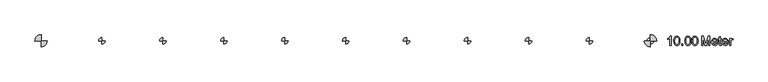
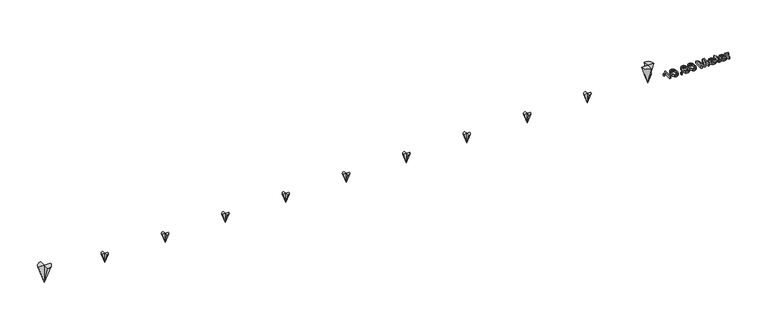
"""IFC4 building model written with IfcOpenShell, lengths in millimetres: proxy geometry."""

from ifc_helpers import new_model, si_unit, frame, origin, origin_with_axes, place, context, project, spatial, polyline, circle_curve, outline, extrude, source, transform, mapped, element, save
from ifc_brep_helpers import plane_surface, revolved_surface, advanced_brep


def generic_models_e8c7871a(model_context):
    return source(origin(), model_context, "Body", "SolidModel", [
        advanced_brep(
        [(9946.9713765, 0.0, 159.0858704), (10000.0, 53.0286235, 159.0858704), (10000.0, 0.0, 0.0), (10053.0286235, 0.0, 159.0858704), (10000.0, -53.0286235, 159.0858704), (10000.0, 0.0, 159.0858704)],
        [
            (0, 1, circle_curve(frame((10000.0, 0.0, 159.0858704), z_axis=(0.0, 0.0, -1.0), x_axis=(1.0, 0.0, 0.0)), 53.0286235)),
            (1, 2),
            (2, 0),
            (2, 3),
            (3, 4, circle_curve(frame((10000.0, 0.0, 159.0858704), z_axis=(0.0, 0.0, -1.0), x_axis=(1.0, 0.0, 0.0)), 53.0286235)),
            (4, 2),
            (0, 5),
            (5, 1),
            (3, 5),
            (5, 4),
            (5, 2),
            (5, 2),
        ],
        [
            revolved_surface(polyline([(10000.0, 0.0, 0.0), (10053.0286235, 0.0, 159.0858704)]), (10000.0, 0.0, 300.0), (0.0, 0.0, 1.0)),
            plane_surface(frame((10000.0, 0.0, 159.0858704), z_axis=(0.0, 0.0, 1.0), x_axis=(1.0, 0.0, 0.0))),
            plane_surface(frame((10000.0, 120.0, 345.9090809), z_axis=(1.0, 0.0, 0.0), x_axis=(0.0, 0.0, -1.0))),
            plane_surface(frame((10000.0, 0.0, 345.9090809), z_axis=(0.0, 1.0, 0.0), x_axis=(0.0, 0.0, -1.0))),
            plane_surface(frame((10000.0, -120.0, 345.9090809), z_axis=(-1.0, 0.0, 0.0), x_axis=(0.0, 0.0, -1.0))),
            plane_surface(frame((10000.0, 0.0, 345.9090809), z_axis=(0.0, -1.0, 0.0), x_axis=(0.0, 0.0, -1.0))),
        ],
        [
            (0, [[1, 2, 3]]),
            (0, [[4, 5, 6]]),
            (1, [[-1, 7, 8]]),
            (1, [[9, 10, -5]]),
            (2, [[11, -2, -8]]),
            (3, [[-11, -9, -4]]),
            (4, [[12, -6, -10]]),
            (5, [[-12, -7, -3]]),
        ],
    ),
        advanced_brep(
        [(8946.9713765, 0.0, 159.0858704), (9000.0, 53.0286235, 159.0858704), (9000.0, 0.0, 0.0), (9053.0286235, 0.0, 159.0858704), (9000.0, -53.0286235, 159.0858704), (9000.0, 0.0, 159.0858704)],
        [
            (0, 1, circle_curve(frame((9000.0, 0.0, 159.0858704), z_axis=(0.0, 0.0, -1.0), x_axis=(1.0, 0.0, 0.0)), 53.0286235)),
            (1, 2),
            (2, 0),
            (2, 3),
            (3, 4, circle_curve(frame((9000.0, 0.0, 159.0858704), z_axis=(0.0, 0.0, -1.0), x_axis=(1.0, 0.0, 0.0)), 53.0286235)),
            (4, 2),
            (0, 5),
            (5, 1),
            (3, 5),
            (5, 4),
            (5, 2),
            (5, 2),
        ],
        [
            revolved_surface(polyline([(9000.0, 0.0, 0.0), (9053.0286235, 0.0, 159.0858704)]), (9000.0, 0.0, 300.0), (0.0, 0.0, 1.0)),
            plane_surface(frame((9000.0, 0.0, 159.0858704), z_axis=(0.0, 0.0, 1.0), x_axis=(1.0, 0.0, 0.0))),
            plane_surface(frame((9000.0, 120.0, 345.9090809), z_axis=(1.0, 0.0, 0.0), x_axis=(0.0, 0.0, -1.0))),
            plane_surface(frame((9000.0, 0.0, 345.9090809), z_axis=(0.0, 1.0, 0.0), x_axis=(0.0, 0.0, -1.0))),
            plane_surface(frame((9000.0, -120.0, 345.9090809), z_axis=(-1.0, 0.0, 0.0), x_axis=(0.0, 0.0, -1.0))),
            plane_surface(frame((9000.0, 0.0, 345.9090809), z_axis=(0.0, -1.0, 0.0), x_axis=(0.0, 0.0, -1.0))),
        ],
        [
            (0, [[1, 2, 3]]),
            (0, [[4, 5, 6]]),
            (1, [[-1, 7, 8]]),
            (1, [[9, 10, -5]]),
            (2, [[11, -2, -8]]),
            (3, [[-11, -9, -4]]),
            (4, [[12, -6, -10]]),
            (5, [[-12, -7, -3]]),
        ],
    ),
        advanced_brep(
        [(7946.9713765, 0.0, 159.0858704), (8000.0, 53.0286235, 159.0858704), (8000.0, 0.0, 0.0), (8053.0286235, 0.0, 159.0858704), (8000.0, -53.0286235, 159.0858704), (8000.0, 0.0, 159.0858704)],
        [
            (0, 1, circle_curve(frame((8000.0, 0.0, 159.0858704), z_axis=(0.0, 0.0, -1.0), x_axis=(1.0, 0.0, 0.0)), 53.0286235)),
            (1, 2),
            (2, 0),
            (2, 3),
            (3, 4, circle_curve(frame((8000.0, 0.0, 159.0858704), z_axis=(0.0, 0.0, -1.0), x_axis=(1.0, 0.0, 0.0)), 53.0286235)),
            (4, 2),
            (0, 5),
            (5, 1),
            (3, 5),
            (5, 4),
            (5, 2),
            (5, 2),
        ],
        [
            revolved_surface(polyline([(8000.0, 0.0, 0.0), (8053.0286235, 0.0, 159.0858704)]), (8000.0, 0.0, 300.0), (0.0, 0.0, 1.0)),
            plane_surface(frame((8000.0, 0.0, 159.0858704), z_axis=(0.0, 0.0, 1.0), x_axis=(1.0, 0.0, 0.0))),
            plane_surface(frame((8000.0, 120.0, 345.9090809), z_axis=(1.0, 0.0, 0.0), x_axis=(0.0, 0.0, -1.0))),
            plane_surface(frame((8000.0, 0.0, 345.9090809), z_axis=(0.0, 1.0, 0.0), x_axis=(0.0, 0.0, -1.0))),
            plane_surface(frame((8000.0, -120.0, 345.9090809), z_axis=(-1.0, 0.0, 0.0), x_axis=(0.0, 0.0, -1.0))),
            plane_surface(frame((8000.0, 0.0, 345.9090809), z_axis=(0.0, -1.0, 0.0), x_axis=(0.0, 0.0, -1.0))),
        ],
        [
            (0, [[1, 2, 3]]),
            (0, [[4, 5, 6]]),
            (1, [[-1, 7, 8]]),
            (1, [[9, 10, -5]]),
            (2, [[11, -2, -8]]),
            (3, [[-11, -9, -4]]),
            (4, [[12, -6, -10]]),
            (5, [[-12, -7, -3]]),
        ],
    ),
        advanced_brep(
        [(6946.9713765, 0.0, 159.0858704), (7000.0, 53.0286235, 159.0858704), (7000.0, 0.0, 0.0), (7053.0286235, 0.0, 159.0858704), (7000.0, -53.0286235, 159.0858704), (7000.0, 0.0, 159.0858704)],
        [
            (0, 1, circle_curve(frame((7000.0, 0.0, 159.0858704), z_axis=(0.0, 0.0, -1.0), x_axis=(1.0, 0.0, 0.0)), 53.0286235)),
            (1, 2),
            (2, 0),
            (2, 3),
            (3, 4, circle_curve(frame((7000.0, 0.0, 159.0858704), z_axis=(0.0, 0.0, -1.0), x_axis=(1.0, 0.0, 0.0)), 53.0286235)),
            (4, 2),
            (0, 5),
            (5, 1),
            (3, 5),
            (5, 4),
            (5, 2),
            (5, 2),
        ],
        [
            revolved_surface(polyline([(7000.0, 0.0, 0.0), (7053.0286235, 0.0, 159.0858704)]), (7000.0, 0.0, 300.0), (0.0, 0.0, 1.0)),
            plane_surface(frame((7000.0, 0.0, 159.0858704), z_axis=(0.0, 0.0, 1.0), x_axis=(1.0, 0.0, 0.0))),
            plane_surface(frame((7000.0, 120.0, 345.9090809), z_axis=(1.0, 0.0, 0.0), x_axis=(0.0, 0.0, -1.0))),
            plane_surface(frame((7000.0, 0.0, 345.9090809), z_axis=(0.0, 1.0, 0.0), x_axis=(0.0, 0.0, -1.0))),
            plane_surface(frame((7000.0, -120.0, 345.9090809), z_axis=(-1.0, 0.0, 0.0), x_axis=(0.0, 0.0, -1.0))),
            plane_surface(frame((7000.0, 0.0, 345.9090809), z_axis=(0.0, -1.0, 0.0), x_axis=(0.0, 0.0, -1.0))),
        ],
        [
            (0, [[1, 2, 3]]),
            (0, [[4, 5, 6]]),
            (1, [[-1, 7, 8]]),
            (1, [[9, 10, -5]]),
            (2, [[11, -2, -8]]),
            (3, [[-11, -9, -4]]),
            (4, [[12, -6, -10]]),
            (5, [[-12, -7, -3]]),
        ],
    ),
        advanced_brep(
        [(5946.9713765, 0.0, 159.0858704), (6000.0, 53.0286235, 159.0858704), (6000.0, 0.0, 0.0), (6053.0286235, 0.0, 159.0858704), (6000.0, -53.0286235, 159.0858704), (6000.0, 0.0, 159.0858704)],
        [
            (0, 1, circle_curve(frame((6000.0, 0.0, 159.0858704), z_axis=(0.0, 0.0, -1.0), x_axis=(1.0, 0.0, 0.0)), 53.0286235)),
            (1, 2),
            (2, 0),
            (2, 3),
            (3, 4, circle_curve(frame((6000.0, 0.0, 159.0858704), z_axis=(0.0, 0.0, -1.0), x_axis=(1.0, 0.0, 0.0)), 53.0286235)),
            (4, 2),
            (0, 5),
            (5, 1),
            (3, 5),
            (5, 4),
            (5, 2),
            (5, 2),
        ],
        [
            revolved_surface(polyline([(6000.0, 0.0, 0.0), (6053.0286235, 0.0, 159.0858704)]), (6000.0, 0.0, 300.0), (0.0, 0.0, 1.0)),
            plane_surface(frame((6000.0, 0.0, 159.0858704), z_axis=(0.0, 0.0, 1.0), x_axis=(1.0, 0.0, 0.0))),
            plane_surface(frame((6000.0, 120.0, 345.9090809), z_axis=(1.0, 0.0, 0.0), x_axis=(0.0, 0.0, -1.0))),
            plane_surface(frame((6000.0, 0.0, 345.9090809), z_axis=(0.0, 1.0, 0.0), x_axis=(0.0, 0.0, -1.0))),
            plane_surface(frame((6000.0, -120.0, 345.9090809), z_axis=(-1.0, 0.0, 0.0), x_axis=(0.0, 0.0, -1.0))),
            plane_surface(frame((6000.0, 0.0, 345.9090809), z_axis=(0.0, -1.0, 0.0), x_axis=(0.0, 0.0, -1.0))),
        ],
        [
            (0, [[1, 2, 3]]),
            (0, [[4, 5, 6]]),
            (1, [[-1, 7, 8]]),
            (1, [[9, 10, -5]]),
            (2, [[11, -2, -8]]),
            (3, [[-11, -9, -4]]),
            (4, [[12, -6, -10]]),
            (5, [[-12, -7, -3]]),
        ],
    ),
        advanced_brep(
        [(4946.9713765, 0.0, 159.0858704), (5000.0, 53.0286235, 159.0858704), (5000.0, 0.0, 0.0), (5053.0286235, 0.0, 159.0858704), (5000.0, -53.0286235, 159.0858704), (5000.0, 0.0, 159.0858704)],
        [
            (0, 1, circle_curve(frame((5000.0, 0.0, 159.0858704), z_axis=(0.0, 0.0, -1.0), x_axis=(1.0, 0.0, 0.0)), 53.0286235)),
            (1, 2),
            (2, 0),
            (2, 3),
            (3, 4, circle_curve(frame((5000.0, 0.0, 159.0858704), z_axis=(0.0, 0.0, -1.0), x_axis=(1.0, 0.0, 0.0)), 53.0286235)),
            (4, 2),
            (0, 5),
            (5, 1),
            (3, 5),
            (5, 4),
            (5, 2),
            (5, 2),
        ],
        [
            revolved_surface(polyline([(5000.0, 0.0, 0.0), (5053.0286235, 0.0, 159.0858704)]), (5000.0, 0.0, 300.0), (0.0, 0.0, 1.0)),
            plane_surface(frame((5000.0, 0.0, 159.0858704), z_axis=(0.0, 0.0, 1.0), x_axis=(1.0, 0.0, 0.0))),
            plane_surface(frame((5000.0, 120.0, 345.9090809), z_axis=(1.0, 0.0, 0.0), x_axis=(0.0, 0.0, -1.0))),
            plane_surface(frame((5000.0, 0.0, 345.9090809), z_axis=(0.0, 1.0, 0.0), x_axis=(0.0, 0.0, -1.0))),
            plane_surface(frame((5000.0, -120.0, 345.9090809), z_axis=(-1.0, 0.0, 0.0), x_axis=(0.0, 0.0, -1.0))),
            plane_surface(frame((5000.0, 0.0, 345.9090809), z_axis=(0.0, -1.0, 0.0), x_axis=(0.0, 0.0, -1.0))),
        ],
        [
            (0, [[1, 2, 3]]),
            (0, [[4, 5, 6]]),
            (1, [[-1, 7, 8]]),
            (1, [[9, 10, -5]]),
            (2, [[11, -2, -8]]),
            (3, [[-11, -9, -4]]),
            (4, [[12, -6, -10]]),
            (5, [[-12, -7, -3]]),
        ],
    ),
        advanced_brep(
        [(3946.9713765, 0.0, 159.0858704), (4000.0, 53.0286235, 159.0858704), (4000.0, 0.0, 0.0), (4053.0286235, 0.0, 159.0858704), (4000.0, -53.0286235, 159.0858704), (4000.0, 0.0, 159.0858704)],
        [
            (0, 1, circle_curve(frame((4000.0, 0.0, 159.0858704), z_axis=(0.0, 0.0, -1.0), x_axis=(1.0, 0.0, 0.0)), 53.0286235)),
            (1, 2),
            (2, 0),
            (2, 3),
            (3, 4, circle_curve(frame((4000.0, 0.0, 159.0858704), z_axis=(0.0, 0.0, -1.0), x_axis=(1.0, 0.0, 0.0)), 53.0286235)),
            (4, 2),
            (0, 5),
            (5, 1),
            (3, 5),
            (5, 4),
            (5, 2),
            (5, 2),
        ],
        [
            revolved_surface(polyline([(4000.0, 0.0, 0.0), (4053.0286235, 0.0, 159.0858704)]), (4000.0, 0.0, 300.0), (0.0, 0.0, 1.0)),
            plane_surface(frame((4000.0, 0.0, 159.0858704), z_axis=(0.0, 0.0, 1.0), x_axis=(1.0, 0.0, 0.0))),
            plane_surface(frame((4000.0, 120.0, 345.9090809), z_axis=(1.0, 0.0, 0.0), x_axis=(0.0, 0.0, -1.0))),
            plane_surface(frame((4000.0, 0.0, 345.9090809), z_axis=(0.0, 1.0, 0.0), x_axis=(0.0, 0.0, -1.0))),
            plane_surface(frame((4000.0, -120.0, 345.9090809), z_axis=(-1.0, 0.0, 0.0), x_axis=(0.0, 0.0, -1.0))),
            plane_surface(frame((4000.0, 0.0, 345.9090809), z_axis=(0.0, -1.0, 0.0), x_axis=(0.0, 0.0, -1.0))),
        ],
        [
            (0, [[1, 2, 3]]),
            (0, [[4, 5, 6]]),
            (1, [[-1, 7, 8]]),
            (1, [[9, 10, -5]]),
            (2, [[11, -2, -8]]),
            (3, [[-11, -9, -4]]),
            (4, [[12, -6, -10]]),
            (5, [[-12, -7, -3]]),
        ],
    ),
        advanced_brep(
        [(2946.9713765, 0.0, 159.0858704), (3000.0, 53.0286235, 159.0858704), (3000.0, 0.0, 0.0), (3053.0286235, 0.0, 159.0858704), (3000.0, -53.0286235, 159.0858704), (3000.0, 0.0, 159.0858704)],
        [
            (0, 1, circle_curve(frame((3000.0, 0.0, 159.0858704), z_axis=(0.0, 0.0, -1.0), x_axis=(1.0, 0.0, 0.0)), 53.0286235)),
            (1, 2),
            (2, 0),
            (2, 3),
            (3, 4, circle_curve(frame((3000.0, 0.0, 159.0858704), z_axis=(0.0, 0.0, -1.0), x_axis=(1.0, 0.0, 0.0)), 53.0286235)),
            (4, 2),
            (0, 5),
            (5, 1),
            (3, 5),
            (5, 4),
            (5, 2),
            (5, 2),
        ],
        [
            revolved_surface(polyline([(3000.0, 0.0, 0.0), (3053.0286235, 0.0, 159.0858704)]), (3000.0, 0.0, 300.0), (0.0, 0.0, 1.0)),
            plane_surface(frame((3000.0, 0.0, 159.0858704), z_axis=(0.0, 0.0, 1.0), x_axis=(1.0, 0.0, 0.0))),
            plane_surface(frame((3000.0, 120.0, 345.9090809), z_axis=(1.0, 0.0, 0.0), x_axis=(0.0, 0.0, -1.0))),
            plane_surface(frame((3000.0, 0.0, 345.9090809), z_axis=(0.0, 1.0, 0.0), x_axis=(0.0, 0.0, -1.0))),
            plane_surface(frame((3000.0, -120.0, 345.9090809), z_axis=(-1.0, 0.0, 0.0), x_axis=(0.0, 0.0, -1.0))),
            plane_surface(frame((3000.0, 0.0, 345.9090809), z_axis=(0.0, -1.0, 0.0), x_axis=(0.0, 0.0, -1.0))),
        ],
        [
            (0, [[1, 2, 3]]),
            (0, [[4, 5, 6]]),
            (1, [[-1, 7, 8]]),
            (1, [[9, 10, -5]]),
            (2, [[11, -2, -8]]),
            (3, [[-11, -9, -4]]),
            (4, [[12, -6, -10]]),
            (5, [[-12, -7, -3]]),
        ],
    ),
        advanced_brep(
        [(1946.9713765, 0.0, 159.0858704), (2000.0, 53.0286235, 159.0858704), (2000.0, 0.0, 0.0), (2053.0286235, 0.0, 159.0858704), (2000.0, -53.0286235, 159.0858704), (2000.0, 0.0, 159.0858704)],
        [
            (0, 1, circle_curve(frame((2000.0, 0.0, 159.0858704), z_axis=(0.0, 0.0, -1.0), x_axis=(1.0, 0.0, 0.0)), 53.0286235)),
            (1, 2),
            (2, 0),
            (2, 3),
            (3, 4, circle_curve(frame((2000.0, 0.0, 159.0858704), z_axis=(0.0, 0.0, -1.0), x_axis=(1.0, 0.0, 0.0)), 53.0286235)),
            (4, 2),
            (0, 5),
            (5, 1),
            (3, 5),
            (5, 4),
            (5, 2),
            (5, 2),
        ],
        [
            revolved_surface(polyline([(2000.0, 0.0, 0.0), (2053.0286235, 0.0, 159.0858704)]), (2000.0, 0.0, 300.0), (0.0, 0.0, 1.0)),
            plane_surface(frame((2000.0, 0.0, 159.0858704), z_axis=(0.0, 0.0, 1.0), x_axis=(1.0, 0.0, 0.0))),
            plane_surface(frame((2000.0, 120.0, 345.9090809), z_axis=(1.0, 0.0, 0.0), x_axis=(0.0, 0.0, -1.0))),
            plane_surface(frame((2000.0, 0.0, 345.9090809), z_axis=(0.0, 1.0, 0.0), x_axis=(0.0, 0.0, -1.0))),
            plane_surface(frame((2000.0, -120.0, 345.9090809), z_axis=(-1.0, 0.0, 0.0), x_axis=(0.0, 0.0, -1.0))),
            plane_surface(frame((2000.0, 0.0, 345.9090809), z_axis=(0.0, -1.0, 0.0), x_axis=(0.0, 0.0, -1.0))),
        ],
        [
            (0, [[1, 2, 3]]),
            (0, [[4, 5, 6]]),
            (1, [[-1, 7, 8]]),
            (1, [[9, 10, -5]]),
            (2, [[11, -2, -8]]),
            (3, [[-11, -9, -4]]),
            (4, [[12, -6, -10]]),
            (5, [[-12, -7, -3]]),
        ],
    ),
        advanced_brep(
        [(946.9713765, 0.0, 159.0858704), (1000.0, 53.0286235, 159.0858704), (1000.0, 0.0, 0.0), (1053.0286235, 0.0, 159.0858704), (1000.0, -53.0286235, 159.0858704), (1000.0, 0.0, 159.0858704)],
        [
            (0, 1, circle_curve(frame((1000.0, 0.0, 159.0858704), z_axis=(0.0, 0.0, -1.0), x_axis=(1.0, 0.0, 0.0)), 53.0286235)),
            (1, 2),
            (2, 0),
            (2, 3),
            (3, 4, circle_curve(frame((1000.0, 0.0, 159.0858704), z_axis=(0.0, 0.0, -1.0), x_axis=(1.0, 0.0, 0.0)), 53.0286235)),
            (4, 2),
            (0, 5),
            (5, 1),
            (3, 5),
            (5, 4),
            (5, 2),
            (5, 2),
        ],
        [
            revolved_surface(polyline([(1000.0, 0.0, 0.0), (1053.0286235, 0.0, 159.0858704)]), (1000.0, 0.0, 300.0), (0.0, 0.0, 1.0)),
            plane_surface(frame((1000.0, 0.0, 159.0858704), z_axis=(0.0, 0.0, 1.0), x_axis=(1.0, 0.0, 0.0))),
            plane_surface(frame((1000.0, 120.0, 345.9090809), z_axis=(1.0, 0.0, 0.0), x_axis=(0.0, 0.0, -1.0))),
            plane_surface(frame((1000.0, 0.0, 345.9090809), z_axis=(0.0, 1.0, 0.0), x_axis=(0.0, 0.0, -1.0))),
            plane_surface(frame((1000.0, -120.0, 345.9090809), z_axis=(-1.0, 0.0, 0.0), x_axis=(0.0, 0.0, -1.0))),
            plane_surface(frame((1000.0, 0.0, 345.9090809), z_axis=(0.0, -1.0, 0.0), x_axis=(0.0, 0.0, -1.0))),
        ],
        [
            (0, [[1, 2, 3]]),
            (0, [[4, 5, 6]]),
            (1, [[-1, 7, 8]]),
            (1, [[9, 10, -5]]),
            (2, [[11, -2, -8]]),
            (3, [[-11, -9, -4]]),
            (4, [[12, -6, -10]]),
            (5, [[-12, -7, -3]]),
        ],
    ),
        advanced_brep(
        [(10000.0, -100.0, 300.0), (9900.0, 0.0, 300.0), (10000.0, 0.0, 0.0), (10000.0, 100.0, 300.0), (10100.0, 0.0, 300.0), (10000.0, 0.0, 300.0)],
        [
            (0, 1, circle_curve(frame((10000.0, 0.0, 300.0), z_axis=(0.0, 0.0, -1.0), x_axis=(0.0, 1.0, 0.0)), 100.0)),
            (1, 2),
            (2, 0),
            (2, 3),
            (3, 4, circle_curve(frame((10000.0, 0.0, 300.0), z_axis=(0.0, 0.0, -1.0), x_axis=(0.0, 1.0, 0.0)), 100.0)),
            (4, 2),
            (0, 5),
            (5, 1),
            (3, 5),
            (5, 4),
            (5, 2),
            (5, 2),
        ],
        [
            revolved_surface(polyline([(10000.0, 0.0, 0.0), (10000.0, 100.0, 300.0)]), (10000.0, 0.0, 300.0), (0.0, 0.0, 1.0)),
            plane_surface(frame((10000.0, 0.0, 300.0), z_axis=(0.0, 0.0, 1.0), x_axis=(0.0, 1.0, 0.0))),
            plane_surface(frame((9880.0, 0.0, 345.9090809), z_axis=(0.0, 1.0, 0.0), x_axis=(0.0, 0.0, -1.0))),
            plane_surface(frame((10000.0, 0.0, 345.9090809), z_axis=(-1.0, 0.0, 0.0), x_axis=(0.0, 0.0, -1.0))),
            plane_surface(frame((10120.0, 0.0, 345.9090809), z_axis=(0.0, -1.0, 0.0), x_axis=(0.0, 0.0, -1.0))),
            plane_surface(frame((10000.0, 0.0, 345.9090809), z_axis=(1.0, 0.0, 0.0), x_axis=(0.0, 0.0, -1.0))),
        ],
        [
            (0, [[1, 2, 3]]),
            (0, [[4, 5, 6]]),
            (1, [[-1, 7, 8]]),
            (1, [[9, 10, -5]]),
            (2, [[11, -2, -8]]),
            (3, [[-11, -9, -4]]),
            (4, [[12, -6, -10]]),
            (5, [[-12, -7, -3]]),
        ],
    ),
        advanced_brep(
        [(-100.0, 0.0, 300.0), (0.0, 100.0, 300.0), (0.0, 0.0, 0.0), (100.0, 0.0, 300.0), (0.0, -100.0, 300.0), (0.0, 0.0, 300.0)],
        [
            (0, 1, circle_curve(frame((0.0, 0.0, 300.0), z_axis=(0.0, 0.0, -1.0), x_axis=(1.0, 0.0, 0.0)), 100.0)),
            (1, 2),
            (2, 0),
            (2, 3),
            (3, 4, circle_curve(frame((0.0, 0.0, 300.0), z_axis=(0.0, 0.0, -1.0), x_axis=(1.0, 0.0, 0.0)), 100.0)),
            (4, 2),
            (0, 5),
            (5, 1),
            (3, 5),
            (5, 4),
            (5, 2),
            (5, 2),
        ],
        [
            revolved_surface(polyline([(0.0, 0.0, 0.0), (100.0, 0.0, 300.0)]), (0.0, 0.0, 300.0), (0.0, 0.0, 1.0)),
            plane_surface(frame((0.0, 0.0, 300.0), z_axis=(0.0, 0.0, 1.0), x_axis=(1.0, 0.0, 0.0))),
            plane_surface(frame((0.0, 120.0, 345.9090809), z_axis=(1.0, 0.0, 0.0), x_axis=(0.0, 0.0, -1.0))),
            plane_surface(frame((0.0, 0.0, 345.9090809), z_axis=(0.0, 1.0, 0.0), x_axis=(0.0, 0.0, -1.0))),
            plane_surface(frame((0.0, -120.0, 345.9090809), z_axis=(-1.0, 0.0, 0.0), x_axis=(0.0, 0.0, -1.0))),
            plane_surface(frame((0.0, 0.0, 345.9090809), z_axis=(0.0, -1.0, 0.0), x_axis=(0.0, 0.0, -1.0))),
        ],
        [
            (0, [[1, 2, 3]]),
            (0, [[4, 5, 6]]),
            (1, [[-1, 7, 8]]),
            (1, [[9, 10, -5]]),
            (2, [[11, -2, -8]]),
            (3, [[-11, -9, -4]]),
            (4, [[12, -6, -10]]),
            (5, [[-12, -7, -3]]),
        ],
    ),
        extrude(outline(polyline([(10510.9927293, -75.0), (10510.9927293, -56.1644418), (10529.8282875, -56.1644418), (10529.8282875, -75.0), (10510.9927293, -75.0)])), origin_with_axes(), (0.0, 0.0, 1.0), 35.0),
        extrude(outline(polyline([(10566.5749502, -0.871778), (10567.9591062, 23.2474853), (10572.1115743, 42.4831152), (10578.9909676, 57.1294171), (10588.5558995, 67.4806967), (10600.8753478, 73.6335231), (10616.0182904, 75.6844652), (10638.0176337, 70.8284229), (10653.2111601, 56.830513), (10662.040328, 34.5368641), (10665.4616305, -0.871778), (10664.0912701, -24.8530855), (10659.9801888, -44.0427301), (10653.1421822, -58.7028276), (10643.5910459, -69.095494), (10631.2440065, -75.2897071), (10616.0182904, -77.3544448), (10596.4469682, -73.7675953), (10581.5845356, -63.007047), (10570.3273466, -37.5220217), (10566.5749502, -0.871778)]), holes=[polyline([(10585.4105084, -0.8349898), (10587.6178004, -30.463286), (10594.2396763, -47.6111855), (10604.0989137, -55.7919613), (10616.0182904, -58.5188866), (10627.937667, -55.7827643), (10637.7969045, -47.5743973), (10644.4187804, -30.4173007), (10646.6260724, -0.8349898), (10644.4923568, 28.1265203), (10638.0912101, 45.407777), (10628.2503667, 53.9886246), (10615.7975612, 56.8489071), (10604.0069432, 54.3289154), (10594.5339819, 46.7689404), (10587.6913768, 28.4116288), (10585.4105084, -0.8349898)])]), origin_with_axes(), (0.0, 0.0, 1.0), 35.0),
        extrude(outline(polyline([(10681.9427439, -0.871778), (10683.3268999, 23.2474853), (10687.479368, 42.4831152), (10694.3587613, 57.1294171), (10703.9236931, 67.4806967), (10716.2431415, 73.6335231), (10731.3860841, 75.6844652), (10753.3854274, 70.8284229), (10768.5789538, 56.830513), (10777.4081217, 34.5368641), (10780.8294242, -0.871778), (10779.4590638, -24.8530855), (10775.3479825, -44.0427301), (10768.5099759, -58.7028276), (10758.9588396, -69.095494), (10746.6118002, -75.2897071), (10731.3860841, -77.3544448), (10711.8147619, -73.7675953), (10696.9523293, -63.007047), (10685.6951403, -37.5220217), (10681.9427439, -0.871778)]), holes=[polyline([(10700.7783021, -0.8349898), (10702.985594, -30.463286), (10709.60747, -47.6111855), (10719.4667074, -55.7919613), (10731.3860841, -58.5188866), (10743.3054607, -55.7827643), (10753.1646982, -47.5743973), (10759.7865741, -30.4173007), (10761.9938661, -0.8349898), (10759.8601505, 28.1265203), (10753.4590038, 45.407777), (10743.6181604, 53.9886246), (10731.1653549, 56.8489071), (10719.3747369, 54.3289154), (10709.9017756, 46.7689404), (10703.0591704, 28.4116288), (10700.7783021, -0.8349898)])]), origin_with_axes(), (0.0, 0.0, 1.0), 35.0),
        extrude(outline(polyline([(10838.6382845, -75.0), (10838.6382845, 75.6844652), (10871.0486883, 75.6844652), (10901.8771995, -30.5230668), (10908.0944052, -52.7063511), (10914.8266457, -28.6836568), (10945.1401221, 75.6844652), (10977.5505259, 75.6844652), (10977.5505259, -75.0), (10958.7149678, -75.0), (10958.7149678, 56.8489071), (10920.8599105, -75.0), (10895.3289, -75.0), (10857.4738427, 56.8489071), (10857.4738427, -75.0), (10838.6382845, -75.0)])), origin_with_axes(), (0.0, 0.0, 1.0), 35.0),
        extrude(outline(polyline([(11085.6342561, -42.0377732), (11104.1019323, -44.392218), (11097.4478667, -58.3073545), (11086.8298726, -68.7092179), (11072.4870733, -75.193138), (11054.6585921, -77.3544448), (11032.5580813, -73.625041), (11015.552736, -62.4368299), (11004.7094142, -44.5163782), (11001.0949736, -20.5902529), (11004.7462024, 4.1406142), (11015.6998888, 22.6358815), (11032.4753078, 34.1689821), (11053.5917343, 38.0133489), (11074.0505718, 34.1781791), (11090.3983279, 22.6726697), (11101.1174896, 4.2141906), (11104.6905435, -20.4798883), (11104.5801789, -25.5566598), (11019.9305318, -25.5566598), (11023.190886, -39.6557373), (11030.7646565, -50.0208125), (11041.6953503, -56.3943681), (11055.0264741, -58.5188866), (11073.4941503, -54.5825493), (11085.6342561, -42.0377732)]), holes=[polyline([(11019.9305318, -6.7211017), (11085.8549853, -6.7211017), (11083.3074025, 3.2301063), (11078.3134044, 10.3486229), (11067.3321268, 16.9704988), (11053.5181579, 19.1777908), (11040.8216306, 17.4165557), (11030.3231981, 12.1328506), (11023.0253391, 3.8968924), (11019.9305318, -6.7211017)])]), origin_with_axes(), (0.0, 0.0, 1.0), 35.0),
        extrude(outline(polyline([(11163.5516627, -59.2914388), (11165.9061075, -75.551823), (11151.816227, -77.3544448), (11136.0340894, -74.2274478), (11128.1614147, -66.0236793), (11125.8805464, -44.6497354), (11125.8805464, 16.823346), (11111.7538778, 16.823346), (11111.7538778, 35.6589041), (11125.8805464, 35.6589041), (11125.8805464, 62.551078), (11144.7161045, 73.6243261), (11144.7161045, 35.6589041), (11163.5516627, 35.6589041), (11163.5516627, 16.823346), (11144.7161045, 16.823346), (11144.7161045, -44.0979124), (11145.7093859, -53.8099971), (11148.9283534, -57.2496937), (11155.3478942, -58.5188866), (11163.5516627, -59.2914388)])), origin_with_axes(), (0.0, 0.0, 1.0), 35.0),
        extrude(outline(polyline([(11259.863169, -42.0377732), (11278.3308452, -44.392218), (11271.6767796, -58.3073545), (11261.0587855, -68.7092179), (11246.7159862, -75.193138), (11228.887505, -77.3544448), (11206.7869942, -73.625041), (11189.7816489, -62.4368299), (11178.9383271, -44.5163782), (11175.3238865, -20.5902529), (11178.9751153, 4.1406142), (11189.9288017, 22.6358815), (11206.7042207, 34.1689821), (11227.8206472, 38.0133489), (11248.2794847, 34.1781791), (11264.6272409, 22.6726697), (11275.3464025, 4.2141906), (11278.9194564, -20.4798883), (11278.8090918, -25.5566598), (11194.1594447, -25.5566598), (11197.4197989, -39.6557373), (11204.9935694, -50.0208125), (11215.9242632, -56.3943681), (11229.255387, -58.5188866), (11247.7230632, -54.5825493), (11259.863169, -42.0377732)]), holes=[polyline([(11194.1594447, -6.7211017), (11260.0838982, -6.7211017), (11257.5363154, 3.2301063), (11252.5423173, 10.3486229), (11241.5610398, 16.9704988), (11227.7470708, 19.1777908), (11215.0505435, 17.4165557), (11204.552111, 12.1328506), (11197.254252, 3.8968924), (11194.1594447, -6.7211017)])]), origin_with_axes(), (0.0, 0.0, 1.0), 35.0),
        extrude(outline(polyline([(11297.7550145, -75.0), (11297.7550145, 35.6589041), (11314.2361279, 35.6589041), (11314.2361279, 19.2881554), (11325.9347754, 34.3713172), (11337.7069992, 38.0133489), (11356.6161338, 32.2008134), (11350.3253516, 15.3150298), (11337.0815998, 19.1777908), (11326.4314161, 15.4621826), (11319.6439932, 5.1614867), (11316.5905727, -16.8378566), (11316.5905727, -75.0), (11297.7550145, -75.0)])), origin_with_axes(), (0.0, 0.0, 1.0), 35.0),
        extrude(outline(polyline([(10339.1783234, -75.0), (10320.3427652, -75.0), (10320.3427652, 42.4279329), (10302.5004885, 29.7176099), (10282.6716489, 20.2078604), (10282.6716489, 38.0133489), (10310.2811927, 55.6348965), (10327.0382175, 75.6844652), (10339.1783234, 75.6844652), (10339.1783234, -75.0)])), origin_with_axes(), (0.0, 0.0, 1.0), 35.0),
        extrude(outline(polyline([(10383.912774, -0.871778), (10385.29693, 23.2474853), (10389.449398, 42.4831152), (10396.3287913, 57.1294171), (10405.8937232, 67.4806967), (10418.2131715, 73.6335231), (10433.3561142, 75.6844652), (10455.3554575, 70.8284229), (10470.5489839, 56.830513), (10479.3781517, 34.5368641), (10482.7994543, -0.871778), (10481.4290939, -24.8530855), (10477.3180126, -44.0427301), (10470.480006, -58.7028276), (10460.9288697, -69.095494), (10448.5818302, -75.2897071), (10433.3561142, -77.3544448), (10413.784792, -73.7675953), (10398.9223594, -63.007047), (10387.6651704, -37.5220217), (10383.912774, -0.871778)]), holes=[polyline([(10402.7483322, -0.8349898), (10404.9556241, -30.463286), (10411.5775, -47.6111855), (10421.4367375, -55.7919613), (10433.3561142, -58.5188866), (10445.2754908, -55.7827643), (10455.1347283, -47.5743973), (10461.7566042, -30.4173007), (10463.9638962, -0.8349898), (10461.8301806, 28.1265203), (10455.4290339, 45.407777), (10445.5881905, 53.9886246), (10433.135385, 56.8489071), (10421.344767, 54.3289154), (10411.8718056, 46.7689404), (10405.0292005, 28.4116288), (10402.7483322, -0.8349898)])]), origin_with_axes(), (0.0, 0.0, 1.0), 35.0),
    ])


if __name__ == "__main__":
    model = new_model("IFC4")
    model_context = context("Model", 3, world=origin())
    ifc_project = project(units=[si_unit("LENGTHUNIT", "METRE", prefix="MILLI")], contexts=[model_context])
    site = spatial("IfcSite", under=ifc_project)
    building = spatial("IfcBuilding", under=site)
    placement = place(None, origin())
    generic_models_shape = generic_models_e8c7871a(model_context)
    element("IfcBuildingElementProxy", 1, Name="Generic Models", at=placement, inside=building, context=model_context, shape_type="MappedRepresentation", body=[
        mapped(generic_models_shape, transform((0.0, 0.0, 0.0), x_axis=(1.0, 0.0, 0.0), y_axis=(0.0, 1.0, 0.0), z_axis=(0.0, 0.0, 1.0))),
    ])
    save(model, "model.ifc")
